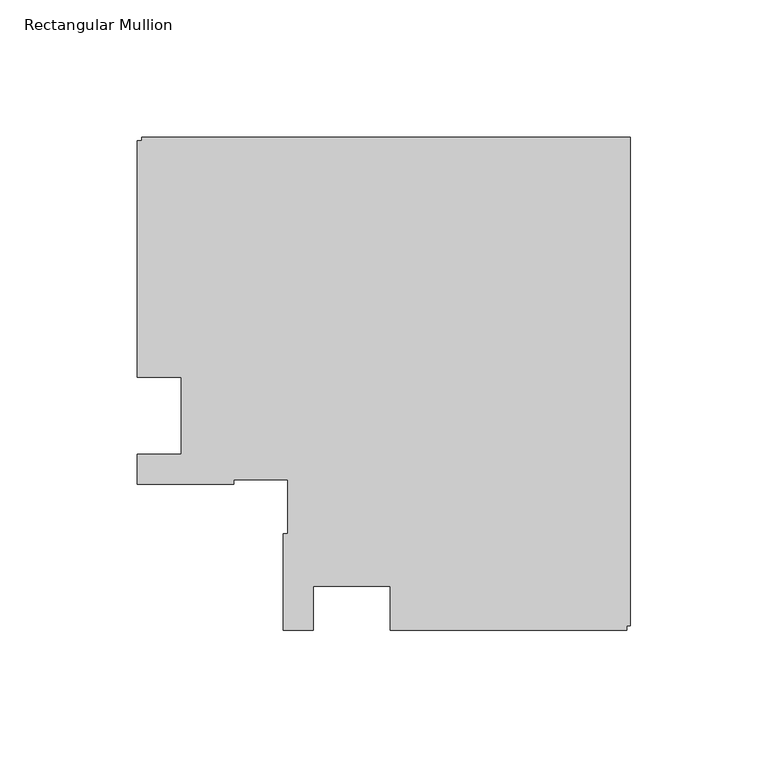
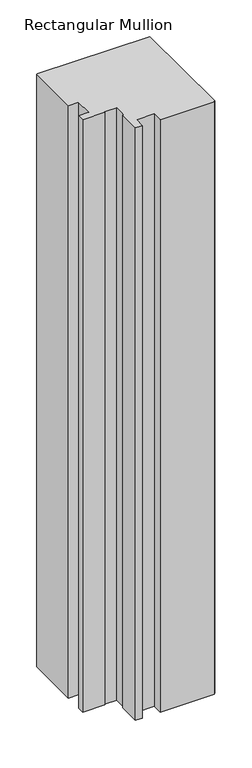
"""IFC4 building model written with IfcOpenShell, lengths in millimetres: member geometry, Rectangular Mullion."""

import ifcopenshell
import ifcopenshell.guid

model = None  # the IFC model being written
_history = None  # IfcOwnerHistory: only IFC2X3 demands one
_inside = {}  # id of a spatial element -> (the spatial element, [elements in it])
_under = {}  # id of a project, library or spatial element -> (it, [spatial elements below it])
_declared = {}  # id of a project -> (the project, [libraries it declares])
_typed = {}  # id of a type object -> (the type object, [elements of that type])
_made_of = {}  # id of a material, layer set ... -> (it, [elements and type objects made of it])


def new_model(schema):
    """Start an empty IFC model of exactly this schema.

    Asked for "IFC4X3", IfcOpenShell would pick the latest addendum, in which some entities
    have other attributes; the version numbers below select the first issue.
    IFC2X3 requires an IfcOwnerHistory on every rooted entity: one is made here for all.
    """
    global model, _history
    if schema == "IFC4X3":
        model = ifcopenshell.file(schema_version=(4, 3, 0, 0))
    else:
        model = ifcopenshell.file(schema=schema)
    _inside.clear()
    _under.clear()
    _declared.clear()
    _typed.clear()
    _made_of.clear()
    _history = None
    if model.schema == "IFC2X3":
        org = make("IfcOrganization", Name="unknown")
        user = make(
            "IfcPersonAndOrganization",
            ThePerson=make("IfcPerson", FamilyName="unknown"),
            TheOrganization=org,
        )
        app = make(
            "IfcApplication",
            ApplicationDeveloper=org,
            Version="unknown",
            ApplicationFullName="unknown",
            ApplicationIdentifier="unknown",
        )
        _history = make(
            "IfcOwnerHistory",
            OwningUser=user,
            OwningApplication=app,
            ChangeAction="ADDED",
            CreationDate=0,
        )
    return model


def make(cls, **values):
    """One entity of the class cls with the attributes given. An attribute that is None is left unset."""
    return model.create_entity(
        cls, **{name: value for name, value in values.items() if value is not None}
    )


def rooted(cls, **values):
    """An entity with a GlobalId (a new one), such as an element, a storey or a relation."""
    return make(cls, GlobalId=ifcopenshell.guid.new(), OwnerHistory=_history, **values)


def si_unit(unit_type, name, prefix=None):
    """IfcSIUnit, for example si_unit("LENGTHUNIT", "METRE", prefix="MILLI")."""
    return make("IfcSIUnit", UnitType=unit_type, Prefix=prefix, Name=name)


def assignment(units):
    """IfcUnitAssignment: the units of a project."""
    return None if units is None else make("IfcUnitAssignment", Units=units)


def point(xyz):
    """IfcCartesianPoint."""
    return None if xyz is None else make("IfcCartesianPoint", Coordinates=xyz)


def direction(xyz):
    """IfcDirection."""
    return None if xyz is None else make("IfcDirection", DirectionRatios=xyz)


def frame(location, z_axis=None, x_axis=None):
    """IfcAxis2Placement3D, a coordinate frame: its origin and axes. An axis left out is left unset."""
    return make(
        "IfcAxis2Placement3D",
        Location=point(location),
        Axis=direction(z_axis),
        RefDirection=direction(x_axis),
    )


def origin():
    """The frame at (0, 0, 0) with its axes left unset."""
    return frame((0.0, 0.0, 0.0))


def place(relative_to, where):
    """IfcLocalPlacement: puts the frame where relative to a parent placement (None: the world)."""
    return make(
        "IfcLocalPlacement", PlacementRelTo=relative_to, RelativePlacement=where
    )


def context(
    kind, dimensions, precision=None, world=None, true_north=None, identifier=None
):
    """IfcGeometricRepresentationContext, for example the 3D "Model" context."""
    return make(
        "IfcGeometricRepresentationContext",
        ContextIdentifier=identifier,
        ContextType=kind,
        CoordinateSpaceDimension=dimensions,
        Precision=precision,
        WorldCoordinateSystem=world,
        TrueNorth=true_north,
    )


def project(units=None, contexts=None):
    """IfcProject with its units and contexts."""
    return rooted(
        "IfcProject",
        Name="project",
        RepresentationContexts=contexts,
        UnitsInContext=assignment(units),
    )


def spatial(cls, under=None, at=None, **own):
    """A site, building, storey or space (cls), placed at a placement, below another one or the project."""
    s = rooted(cls, ObjectPlacement=at, **own)
    if under is not None:
        _under.setdefault(under.id(), (under, []))[1].append(s)
    return s


def polyline(points):
    """IfcPolyline through the points."""
    return make("IfcPolyline", Points=[point(p) for p in points])


def outline(outer, holes=None, kind="AREA"):
    """IfcArbitraryClosedProfileDef: a profile drawn as a closed curve; with holes, ...WithVoids."""
    if holes is None:
        return make("IfcArbitraryClosedProfileDef", ProfileType=kind, OuterCurve=outer)
    return make(
        "IfcArbitraryProfileDefWithVoids",
        ProfileType=kind,
        OuterCurve=outer,
        InnerCurves=holes,
    )


def extrude(swept, where, along, depth):
    """IfcExtrudedAreaSolid: the profile swept, set in the frame where, extruded along a direction by depth."""
    return make(
        "IfcExtrudedAreaSolid",
        SweptArea=swept,
        Position=where,
        ExtrudedDirection=direction(along),
        Depth=depth,
    )


def shape(context_of_items, identifier, shape_type, items):
    """IfcShapeRepresentation: the items that make up one representation, for example the "Body"."""
    return make(
        "IfcShapeRepresentation",
        ContextOfItems=context_of_items,
        RepresentationIdentifier=identifier,
        RepresentationType=shape_type,
        Items=items,
    )


def source(mapping_origin, context_of_items, identifier, shape_type, items):
    """IfcRepresentationMap: a shape defined once, which mapped items show again and again."""
    return make(
        "IfcRepresentationMap",
        MappingOrigin=mapping_origin,
        MappedRepresentation=shape(context_of_items, identifier, shape_type, items),
    )


def transform(
    local_origin,
    x_axis=None,
    y_axis=None,
    z_axis=None,
    scale=None,
    scale2=None,
    scale3=None,
    uniform=True,
):
    """IfcCartesianTransformationOperator3D, or its non-uniform kind. x_axis, y_axis, z_axis: its Axis1, 2, 3."""
    if uniform:
        return make(
            "IfcCartesianTransformationOperator3D",
            Axis1=direction(x_axis),
            Axis2=direction(y_axis),
            LocalOrigin=point(local_origin),
            Scale=scale,
            Axis3=direction(z_axis),
        )
    return make(
        "IfcCartesianTransformationOperator3DnonUniform",
        Axis1=direction(x_axis),
        Axis2=direction(y_axis),
        LocalOrigin=point(local_origin),
        Scale=scale,
        Axis3=direction(z_axis),
        Scale2=scale2,
        Scale3=scale3,
    )


def mapped(mapping_source, mapping_target):
    """IfcMappedItem: shows the shape of a source again, moved by a transform."""
    return make(
        "IfcMappedItem", MappingSource=mapping_source, MappingTarget=mapping_target
    )


def made_of(thing, what):
    """Note that an element or type object is made of a material, layer set ...; save() writes the relation."""
    if what is not None:
        _made_of.setdefault(what.id(), (what, []))[1].append(thing)
    return thing


def element(
    cls,
    number,
    at=None,
    inside=None,
    cuts=None,
    type_object=None,
    material=None,
    context=None,
    identifier="Body",
    shape_type=None,
    held_by="IfcProductDefinitionShape",
    body=None,
    shapes=None,
    **own,
):
    """One element of the class cls, such as IfcWall. Its Tag is "e" and its number.

    at: its placement. inside: the storey or other place that contains it. cuts: it is an
    opening in that element (IfcRelVoidsElement). A single representation is given by context,
    identifier, shape_type and body (its items); several are given by shapes. held_by: the class
    of the entity that holds the representations. save() writes the other relations.
    """
    e = rooted(cls, Tag="e%d" % number, ObjectPlacement=at, **own)
    if body is not None:
        shapes = [shape(context, identifier, shape_type, body)]
    if shapes is not None:
        e.Representation = make(held_by, Representations=shapes)
    if inside is not None:
        _inside.setdefault(inside.id(), (inside, []))[1].append(e)
    if cuts is not None:
        rooted(
            "IfcRelVoidsElement", RelatingBuildingElement=cuts, RelatedOpeningElement=e
        )
    if type_object is not None:
        _typed.setdefault(type_object.id(), (type_object, []))[1].append(e)
    return made_of(e, material)


def aggregate(whole, parts):
    """IfcRelAggregates: a whole, such as a stair, and the parts it consists of."""
    return rooted("IfcRelAggregates", RelatingObject=whole, RelatedObjects=parts)


def save(model, path):
    """Write the relations noted so far, then the file.

    IfcRelAggregates (storeys below a building ...), IfcRelContainedInSpatialStructure (elements
    in a storey), IfcRelDefinesByType, IfcRelAssociatesMaterial and IfcRelDeclares: one each for
    every whole, place, type object, material and project.
    """
    for whole, parts in _under.values():
        aggregate(whole, parts)
    for where, things in _inside.values():
        rooted(
            "IfcRelContainedInSpatialStructure",
            RelatedElements=things,
            RelatingStructure=where,
        )
    for kind, things in _typed.values():
        rooted("IfcRelDefinesByType", RelatedObjects=things, RelatingType=kind)
    for what, things in _made_of.values():
        rooted("IfcRelAssociatesMaterial", RelatedObjects=things, RelatingMaterial=what)
    for by, libraries in _declared.values():
        rooted("IfcRelDeclares", RelatingContext=by, RelatedDefinitions=libraries)
    model.write(path)


def rectangular_mullion_9558ae02(model_context):
    return source(origin(), model_context, "Body", "SweptSolid", [
        extrude(outline(polyline([(-179.1817613, 13.9960563), (-179.1817613, 100.0001107), (-177.7039408, 100.0001107), (-177.7039408, 101.2001107), (0.0, 101.2001107), (0.0, -76.4884533), (-1.2039451, -76.4884533), (-1.2039451, -77.9816506), (-87.2040012, -77.9816506), (-87.2040012, -61.9816243), (-115.2040012, -61.9816243), (-115.2040012, -77.9816506), (-126.2039451, -77.9816506), (-126.2039451, -42.9816243), (-124.518731, -42.9816243), (-124.518731, -23.3186203), (-144.1817351, -23.3186203), (-144.1817351, -25.0038344), (-179.1817351, -25.0038344), (-179.1817351, -14.0038344), (-163.1817351, -14.0038344), (-163.1817351, 13.9960563), (-179.1817613, 13.9960563)])), frame((0.0, 0.0, -990.5485979), z_axis=(0.0, 0.0, 1.0), x_axis=(1.0, 0.0, 0.0)), (0.0, 0.0, 1.0), 990.5485979),
    ])


if __name__ == "__main__":
    model = new_model("IFC4")
    model_context = context("Model", 3, world=origin())
    ifc_project = project(units=[si_unit("LENGTHUNIT", "METRE", prefix="MILLI")], contexts=[model_context])
    site = spatial("IfcSite", under=ifc_project)
    building = spatial("IfcBuilding", under=site)
    placement = place(None, origin())
    rectangular_mullion_shape = rectangular_mullion_9558ae02(model_context)
    element("IfcMember", 1, ObjectType="Rectangular Mullion", at=placement, inside=building, context=model_context, shape_type="MappedRepresentation", body=[
        mapped(rectangular_mullion_shape, transform((0.0, 0.0, 0.0), x_axis=(1.0, 0.0, 0.0), y_axis=(0.0, 1.0, 0.0), z_axis=(0.0, 0.0, 1.0))),
    ])
    save(model, "model.ifc")
